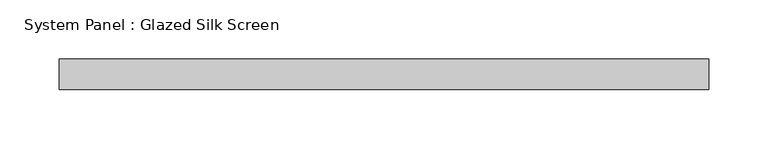
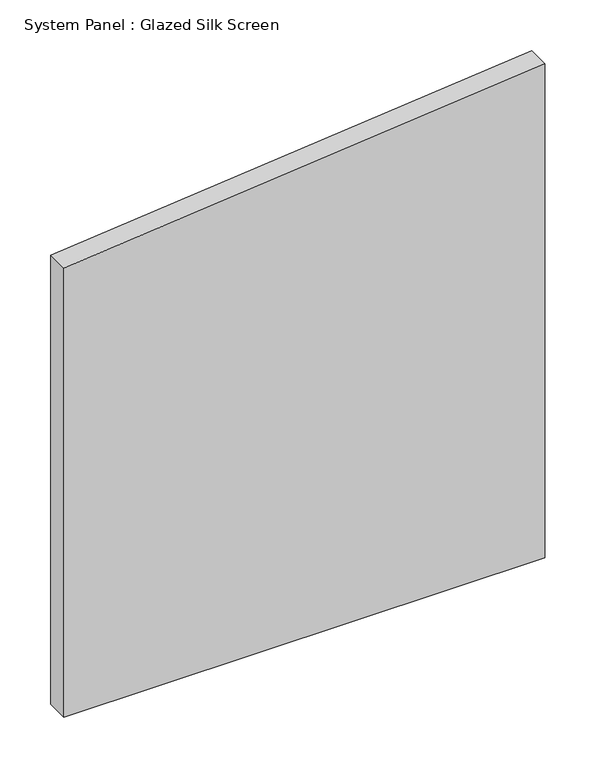
"""IFC4 building model written with IfcOpenShell, lengths in millimetres: plate geometry, System Panel : Glazed Silk Screen."""

from ifc_helpers import new_model, si_unit, frame, origin, place, context, project, spatial, polyline, outline, extrude, source, transform, mapped, element, save


def system_panel_glazed_silk_screen_f1f15dfe(model_context):
    return source(origin(), model_context, "Body", "SweptSolid", [
        extrude(outline(polyline([(0.0, -273.05), (0.0, 273.05), (593.0875213, 273.05), (539.0207448, -273.05), (0.0, -273.05)])), frame((0.0, 19.05, 0.0), z_axis=(0.0, 1.0, 0.0), x_axis=(0.0, 0.0, 1.0)), (0.0, 0.0, 1.0), 25.4),
    ])


if __name__ == "__main__":
    model = new_model("IFC4")
    model_context = context("Model", 3, world=origin())
    ifc_project = project(units=[si_unit("LENGTHUNIT", "METRE", prefix="MILLI")], contexts=[model_context])
    site = spatial("IfcSite", under=ifc_project)
    building = spatial("IfcBuilding", under=site)
    placement = place(None, origin())
    system_panel_glazed_silk_screen_shape = system_panel_glazed_silk_screen_f1f15dfe(model_context)
    element("IfcPlate", 1, ObjectType="System Panel : Glazed Silk Screen", at=placement, inside=building, context=model_context, shape_type="MappedRepresentation", body=[
        mapped(system_panel_glazed_silk_screen_shape, transform((0.0, 0.0, 0.0), x_axis=(1.0, 0.0, 0.0), y_axis=(0.0, 1.0, 0.0), z_axis=(0.0, 0.0, 1.0))),
    ])
    save(model, "model.ifc")
